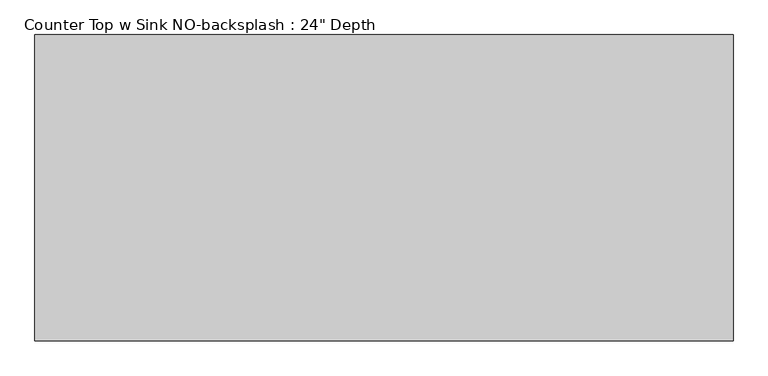
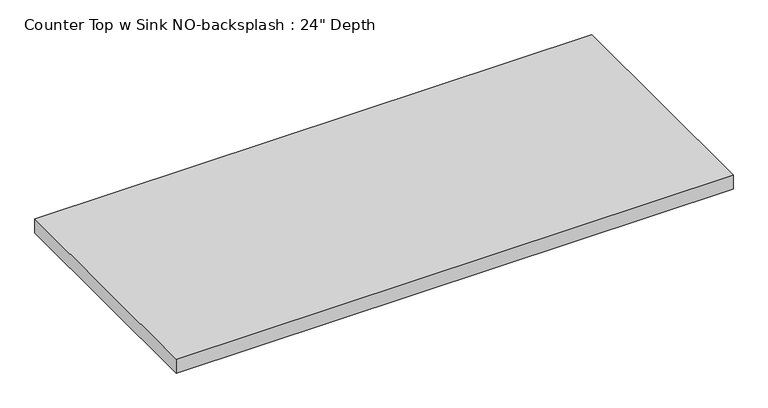
"""IFC4 building model written with IfcOpenShell, lengths in millimetres: furniture geometry."""

import ifcopenshell
import ifcopenshell.guid

model = None  # the IFC model being written
_history = None  # IfcOwnerHistory: only IFC2X3 demands one
_inside = {}  # id of a spatial element -> (the spatial element, [elements in it])
_under = {}  # id of a project, library or spatial element -> (it, [spatial elements below it])
_declared = {}  # id of a project -> (the project, [libraries it declares])
_typed = {}  # id of a type object -> (the type object, [elements of that type])
_made_of = {}  # id of a material, layer set ... -> (it, [elements and type objects made of it])


def new_model(schema):
    """Start an empty IFC model of exactly this schema.

    Asked for "IFC4X3", IfcOpenShell would pick the latest addendum, in which some entities
    have other attributes; the version numbers below select the first issue.
    IFC2X3 requires an IfcOwnerHistory on every rooted entity: one is made here for all.
    """
    global model, _history
    if schema == "IFC4X3":
        model = ifcopenshell.file(schema_version=(4, 3, 0, 0))
    else:
        model = ifcopenshell.file(schema=schema)
    _inside.clear()
    _under.clear()
    _declared.clear()
    _typed.clear()
    _made_of.clear()
    _history = None
    if model.schema == "IFC2X3":
        org = make("IfcOrganization", Name="unknown")
        user = make(
            "IfcPersonAndOrganization",
            ThePerson=make("IfcPerson", FamilyName="unknown"),
            TheOrganization=org,
        )
        app = make(
            "IfcApplication",
            ApplicationDeveloper=org,
            Version="unknown",
            ApplicationFullName="unknown",
            ApplicationIdentifier="unknown",
        )
        _history = make(
            "IfcOwnerHistory",
            OwningUser=user,
            OwningApplication=app,
            ChangeAction="ADDED",
            CreationDate=0,
        )
    return model


def make(cls, **values):
    """One entity of the class cls with the attributes given. An attribute that is None is left unset."""
    return model.create_entity(
        cls, **{name: value for name, value in values.items() if value is not None}
    )


def rooted(cls, **values):
    """An entity with a GlobalId (a new one), such as an element, a storey or a relation."""
    return make(cls, GlobalId=ifcopenshell.guid.new(), OwnerHistory=_history, **values)


def si_unit(unit_type, name, prefix=None):
    """IfcSIUnit, for example si_unit("LENGTHUNIT", "METRE", prefix="MILLI")."""
    return make("IfcSIUnit", UnitType=unit_type, Prefix=prefix, Name=name)


def assignment(units):
    """IfcUnitAssignment: the units of a project."""
    return None if units is None else make("IfcUnitAssignment", Units=units)


def point(xyz):
    """IfcCartesianPoint."""
    return None if xyz is None else make("IfcCartesianPoint", Coordinates=xyz)


def direction(xyz):
    """IfcDirection."""
    return None if xyz is None else make("IfcDirection", DirectionRatios=xyz)


def frame(location, z_axis=None, x_axis=None):
    """IfcAxis2Placement3D, a coordinate frame: its origin and axes. An axis left out is left unset."""
    return make(
        "IfcAxis2Placement3D",
        Location=point(location),
        Axis=direction(z_axis),
        RefDirection=direction(x_axis),
    )


def origin():
    """The frame at (0, 0, 0) with its axes left unset."""
    return frame((0.0, 0.0, 0.0))


def place(relative_to, where):
    """IfcLocalPlacement: puts the frame where relative to a parent placement (None: the world)."""
    return make(
        "IfcLocalPlacement", PlacementRelTo=relative_to, RelativePlacement=where
    )


def context(
    kind, dimensions, precision=None, world=None, true_north=None, identifier=None
):
    """IfcGeometricRepresentationContext, for example the 3D "Model" context."""
    return make(
        "IfcGeometricRepresentationContext",
        ContextIdentifier=identifier,
        ContextType=kind,
        CoordinateSpaceDimension=dimensions,
        Precision=precision,
        WorldCoordinateSystem=world,
        TrueNorth=true_north,
    )


def project(units=None, contexts=None):
    """IfcProject with its units and contexts."""
    return rooted(
        "IfcProject",
        Name="project",
        RepresentationContexts=contexts,
        UnitsInContext=assignment(units),
    )


def spatial(cls, under=None, at=None, **own):
    """A site, building, storey or space (cls), placed at a placement, below another one or the project."""
    s = rooted(cls, ObjectPlacement=at, **own)
    if under is not None:
        _under.setdefault(under.id(), (under, []))[1].append(s)
    return s


def polyline(points):
    """IfcPolyline through the points."""
    return make("IfcPolyline", Points=[point(p) for p in points])


def outline(outer, holes=None, kind="AREA"):
    """IfcArbitraryClosedProfileDef: a profile drawn as a closed curve; with holes, ...WithVoids."""
    if holes is None:
        return make("IfcArbitraryClosedProfileDef", ProfileType=kind, OuterCurve=outer)
    return make(
        "IfcArbitraryProfileDefWithVoids",
        ProfileType=kind,
        OuterCurve=outer,
        InnerCurves=holes,
    )


def extrude(swept, where, along, depth):
    """IfcExtrudedAreaSolid: the profile swept, set in the frame where, extruded along a direction by depth."""
    return make(
        "IfcExtrudedAreaSolid",
        SweptArea=swept,
        Position=where,
        ExtrudedDirection=direction(along),
        Depth=depth,
    )


def shape(context_of_items, identifier, shape_type, items):
    """IfcShapeRepresentation: the items that make up one representation, for example the "Body"."""
    return make(
        "IfcShapeRepresentation",
        ContextOfItems=context_of_items,
        RepresentationIdentifier=identifier,
        RepresentationType=shape_type,
        Items=items,
    )


def source(mapping_origin, context_of_items, identifier, shape_type, items):
    """IfcRepresentationMap: a shape defined once, which mapped items show again and again."""
    return make(
        "IfcRepresentationMap",
        MappingOrigin=mapping_origin,
        MappedRepresentation=shape(context_of_items, identifier, shape_type, items),
    )


def transform(
    local_origin,
    x_axis=None,
    y_axis=None,
    z_axis=None,
    scale=None,
    scale2=None,
    scale3=None,
    uniform=True,
):
    """IfcCartesianTransformationOperator3D, or its non-uniform kind. x_axis, y_axis, z_axis: its Axis1, 2, 3."""
    if uniform:
        return make(
            "IfcCartesianTransformationOperator3D",
            Axis1=direction(x_axis),
            Axis2=direction(y_axis),
            LocalOrigin=point(local_origin),
            Scale=scale,
            Axis3=direction(z_axis),
        )
    return make(
        "IfcCartesianTransformationOperator3DnonUniform",
        Axis1=direction(x_axis),
        Axis2=direction(y_axis),
        LocalOrigin=point(local_origin),
        Scale=scale,
        Axis3=direction(z_axis),
        Scale2=scale2,
        Scale3=scale3,
    )


def mapped(mapping_source, mapping_target):
    """IfcMappedItem: shows the shape of a source again, moved by a transform."""
    return make(
        "IfcMappedItem", MappingSource=mapping_source, MappingTarget=mapping_target
    )


def made_of(thing, what):
    """Note that an element or type object is made of a material, layer set ...; save() writes the relation."""
    if what is not None:
        _made_of.setdefault(what.id(), (what, []))[1].append(thing)
    return thing


def element(
    cls,
    number,
    at=None,
    inside=None,
    cuts=None,
    type_object=None,
    material=None,
    context=None,
    identifier="Body",
    shape_type=None,
    held_by="IfcProductDefinitionShape",
    body=None,
    shapes=None,
    **own,
):
    """One element of the class cls, such as IfcWall. Its Tag is "e" and its number.

    at: its placement. inside: the storey or other place that contains it. cuts: it is an
    opening in that element (IfcRelVoidsElement). A single representation is given by context,
    identifier, shape_type and body (its items); several are given by shapes. held_by: the class
    of the entity that holds the representations. save() writes the other relations.
    """
    e = rooted(cls, Tag="e%d" % number, ObjectPlacement=at, **own)
    if body is not None:
        shapes = [shape(context, identifier, shape_type, body)]
    if shapes is not None:
        e.Representation = make(held_by, Representations=shapes)
    if inside is not None:
        _inside.setdefault(inside.id(), (inside, []))[1].append(e)
    if cuts is not None:
        rooted(
            "IfcRelVoidsElement", RelatingBuildingElement=cuts, RelatedOpeningElement=e
        )
    if type_object is not None:
        _typed.setdefault(type_object.id(), (type_object, []))[1].append(e)
    return made_of(e, material)


def aggregate(whole, parts):
    """IfcRelAggregates: a whole, such as a stair, and the parts it consists of."""
    return rooted("IfcRelAggregates", RelatingObject=whole, RelatedObjects=parts)


def save(model, path):
    """Write the relations noted so far, then the file.

    IfcRelAggregates (storeys below a building ...), IfcRelContainedInSpatialStructure (elements
    in a storey), IfcRelDefinesByType, IfcRelAssociatesMaterial and IfcRelDeclares: one each for
    every whole, place, type object, material and project.
    """
    for whole, parts in _under.values():
        aggregate(whole, parts)
    for where, things in _inside.values():
        rooted(
            "IfcRelContainedInSpatialStructure",
            RelatedElements=things,
            RelatingStructure=where,
        )
    for kind, things in _typed.values():
        rooted("IfcRelDefinesByType", RelatedObjects=things, RelatingType=kind)
    for what, things in _made_of.values():
        rooted("IfcRelAssociatesMaterial", RelatedObjects=things, RelatingMaterial=what)
    for by, libraries in _declared.values():
        rooted("IfcRelDeclares", RelatingContext=by, RelatedDefinitions=libraries)
    model.write(path)


def furniture_1151349d(model_context):
    return source(origin(), model_context, "Body", "SweptSolid", [
        extrude(outline(polyline([(245.7502049, 0.0), (245.7502049, -635.0), (-1200.4622951, -635.0), (-1200.4622951, 0.0), (245.7502049, 0.0)])), frame((0.0, 0.0, 876.3), z_axis=(0.0, 0.0, 1.0), x_axis=(1.0, 0.0, 0.0)), (0.0, 0.0, 1.0), 38.1),
    ])


if __name__ == "__main__":
    model = new_model("IFC4")
    model_context = context("Model", 3, world=origin())
    ifc_project = project(units=[si_unit("LENGTHUNIT", "METRE", prefix="MILLI")], contexts=[model_context])
    site = spatial("IfcSite", under=ifc_project)
    building = spatial("IfcBuilding", under=site)
    placement = place(None, origin())
    furniture_shape = furniture_1151349d(model_context)
    element("IfcFurniture", 1, ObjectType="Counter Top w Sink NO-backsplash : 24\" Depth", at=placement, inside=building, context=model_context, shape_type="MappedRepresentation", body=[
        mapped(furniture_shape, transform((0.0, 0.0, 0.0), x_axis=(1.0, 0.0, 0.0), y_axis=(0.0, 1.0, 0.0), z_axis=(0.0, 0.0, 1.0))),
    ])
    save(model, "model.ifc")
